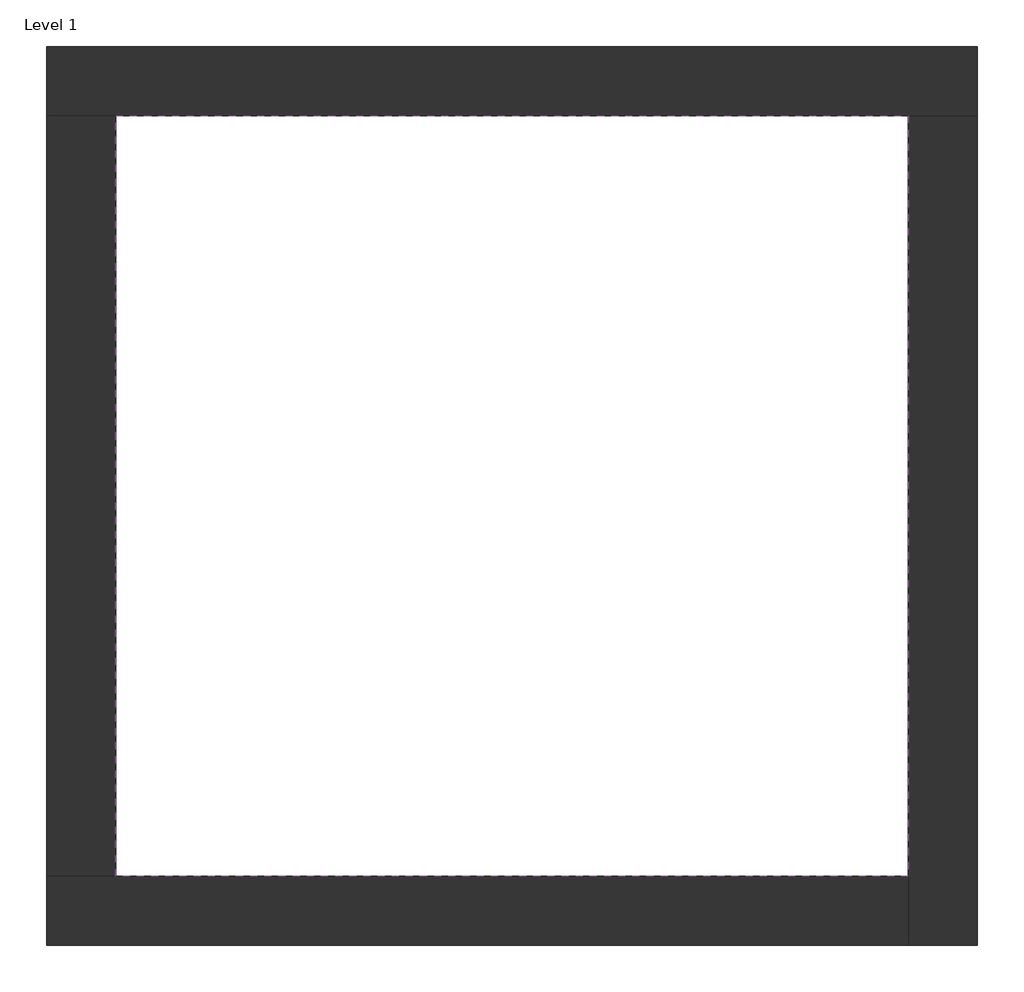
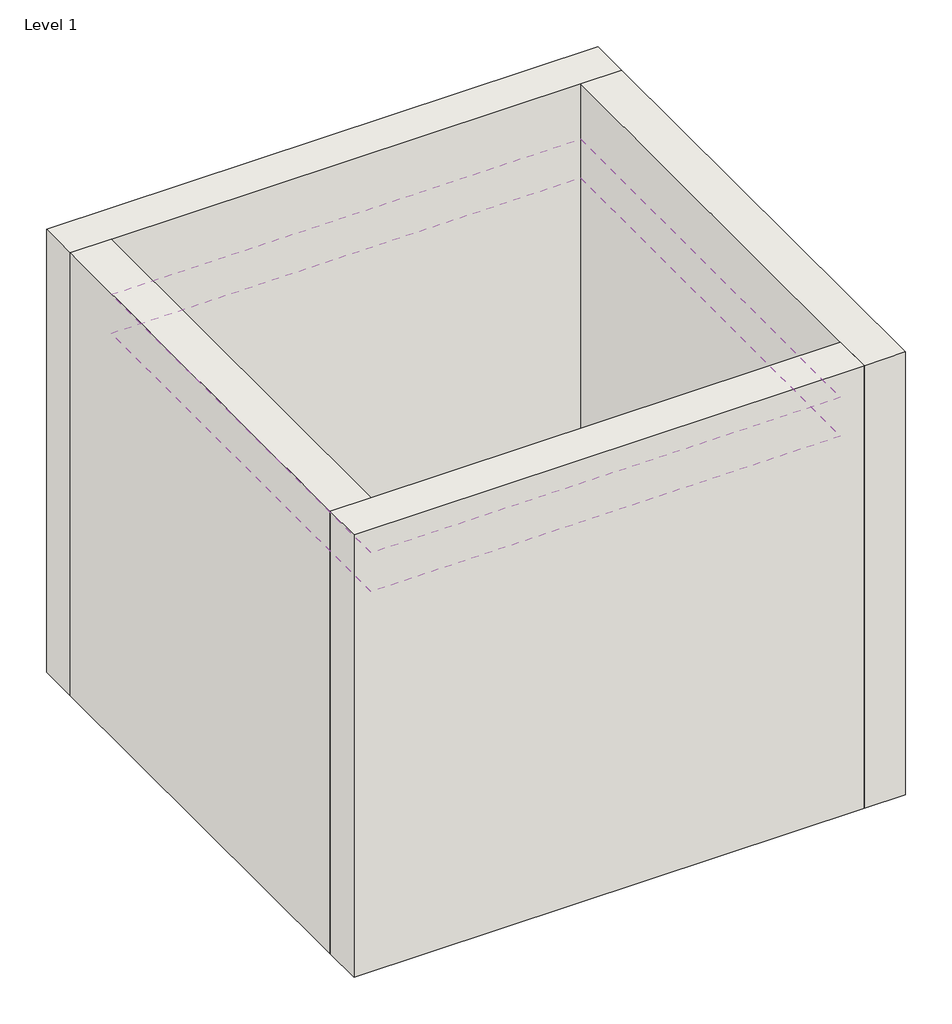
# One storey: 4 walls, 2 coverings.
"""IFC4 building model written with IfcOpenShell, lengths in millimetres."""

import ifcopenshell
import ifcopenshell.guid

model = None  # the IFC model being written
_history = None  # IfcOwnerHistory: only IFC2X3 demands one
_inside = {}  # id of a spatial element -> (the spatial element, [elements in it])
_under = {}  # id of a project, library or spatial element -> (it, [spatial elements below it])
_declared = {}  # id of a project -> (the project, [libraries it declares])
_typed = {}  # id of a type object -> (the type object, [elements of that type])
_made_of = {}  # id of a material, layer set ... -> (it, [elements and type objects made of it])


def new_model(schema):
    """Start an empty IFC model of exactly this schema.

    Asked for "IFC4X3", IfcOpenShell would pick the latest addendum, in which some entities
    have other attributes; the version numbers below select the first issue.
    IFC2X3 requires an IfcOwnerHistory on every rooted entity: one is made here for all.
    """
    global model, _history
    if schema == "IFC4X3":
        model = ifcopenshell.file(schema_version=(4, 3, 0, 0))
    else:
        model = ifcopenshell.file(schema=schema)
    _inside.clear()
    _under.clear()
    _declared.clear()
    _typed.clear()
    _made_of.clear()
    _history = None
    if model.schema == "IFC2X3":
        org = make("IfcOrganization", Name="unknown")
        user = make(
            "IfcPersonAndOrganization",
            ThePerson=make("IfcPerson", FamilyName="unknown"),
            TheOrganization=org,
        )
        app = make(
            "IfcApplication",
            ApplicationDeveloper=org,
            Version="unknown",
            ApplicationFullName="unknown",
            ApplicationIdentifier="unknown",
        )
        _history = make(
            "IfcOwnerHistory",
            OwningUser=user,
            OwningApplication=app,
            ChangeAction="ADDED",
            CreationDate=0,
        )
    return model


def make(cls, **values):
    """One entity of the class cls with the attributes given. An attribute that is None is left unset."""
    return model.create_entity(
        cls, **{name: value for name, value in values.items() if value is not None}
    )


def rooted(cls, **values):
    """An entity with a GlobalId (a new one), such as an element, a storey or a relation."""
    return make(cls, GlobalId=ifcopenshell.guid.new(), OwnerHistory=_history, **values)


def si_unit(unit_type, name, prefix=None):
    """IfcSIUnit, for example si_unit("LENGTHUNIT", "METRE", prefix="MILLI")."""
    return make("IfcSIUnit", UnitType=unit_type, Prefix=prefix, Name=name)


def assignment(units):
    """IfcUnitAssignment: the units of a project."""
    return None if units is None else make("IfcUnitAssignment", Units=units)


def point(xyz):
    """IfcCartesianPoint."""
    return None if xyz is None else make("IfcCartesianPoint", Coordinates=xyz)


def direction(xyz):
    """IfcDirection."""
    return None if xyz is None else make("IfcDirection", DirectionRatios=xyz)


def frame(location, z_axis=None, x_axis=None):
    """IfcAxis2Placement3D, a coordinate frame: its origin and axes. An axis left out is left unset."""
    return make(
        "IfcAxis2Placement3D",
        Location=point(location),
        Axis=direction(z_axis),
        RefDirection=direction(x_axis),
    )


def origin():
    """The frame at (0, 0, 0) with its axes left unset."""
    return frame((0.0, 0.0, 0.0))


def origin_with_axes():
    """The frame at (0, 0, 0) with the z axis (0, 0, 1) and the x axis (1, 0, 0) written out."""
    return frame((0.0, 0.0, 0.0), z_axis=(0.0, 0.0, 1.0), x_axis=(1.0, 0.0, 0.0))


def place(relative_to, where):
    """IfcLocalPlacement: puts the frame where relative to a parent placement (None: the world)."""
    return make(
        "IfcLocalPlacement", PlacementRelTo=relative_to, RelativePlacement=where
    )


def context(
    kind, dimensions, precision=None, world=None, true_north=None, identifier=None
):
    """IfcGeometricRepresentationContext, for example the 3D "Model" context."""
    return make(
        "IfcGeometricRepresentationContext",
        ContextIdentifier=identifier,
        ContextType=kind,
        CoordinateSpaceDimension=dimensions,
        Precision=precision,
        WorldCoordinateSystem=world,
        TrueNorth=true_north,
    )


def project(units=None, contexts=None):
    """IfcProject with its units and contexts."""
    return rooted(
        "IfcProject",
        Name="project",
        RepresentationContexts=contexts,
        UnitsInContext=assignment(units),
    )


def spatial(cls, under=None, at=None, **own):
    """A site, building, storey or space (cls), placed at a placement, below another one or the project."""
    s = rooted(cls, ObjectPlacement=at, **own)
    if under is not None:
        _under.setdefault(under.id(), (under, []))[1].append(s)
    return s


def polyline(points):
    """IfcPolyline through the points."""
    return make("IfcPolyline", Points=[point(p) for p in points])


def outline(outer, holes=None, kind="AREA"):
    """IfcArbitraryClosedProfileDef: a profile drawn as a closed curve; with holes, ...WithVoids."""
    if holes is None:
        return make("IfcArbitraryClosedProfileDef", ProfileType=kind, OuterCurve=outer)
    return make(
        "IfcArbitraryProfileDefWithVoids",
        ProfileType=kind,
        OuterCurve=outer,
        InnerCurves=holes,
    )


def extrude(swept, where, along, depth):
    """IfcExtrudedAreaSolid: the profile swept, set in the frame where, extruded along a direction by depth."""
    return make(
        "IfcExtrudedAreaSolid",
        SweptArea=swept,
        Position=where,
        ExtrudedDirection=direction(along),
        Depth=depth,
    )


def faces_of(points, faces, orient=None, outer=None):
    """IfcFace entities. A face is a list of loops; a loop is a list of indices into points, from 0.

    orient and outer hold one flag for each loop. By default every Orientation is true, the
    first loop of a face is its IfcFaceOuterBound and the others are IfcFaceBound.
    """
    made = []
    for i, loops in enumerate(faces):
        bounds = []
        for j, loop in enumerate(loops):
            is_outer = j == 0 if outer is None else outer[i][j]
            bounds.append(
                make(
                    "IfcFaceOuterBound" if is_outer else "IfcFaceBound",
                    Bound=make("IfcPolyLoop", Polygon=[points[k] for k in loop]),
                    Orientation=True if orient is None else orient[i][j],
                )
            )
        made.append(make("IfcFace", Bounds=bounds))
    return made


def faceted_brep(points, faces, orient=None, outer=None, voids=None):
    """IfcFacetedBrep: a solid bounded by flat faces; with voids (closed shells), ...WithVoids."""
    shared = [point(p) for p in points]
    hull = make("IfcClosedShell", CfsFaces=faces_of(shared, faces, orient, outer))
    if voids is None:
        return make("IfcFacetedBrep", Outer=hull)
    return make(
        "IfcFacetedBrepWithVoids",
        Outer=hull,
        Voids=[
            make(cls, CfsFaces=faces_of(shared, fs, o, b)) for cls, fs, o, b in voids
        ],
    )


def shape(context_of_items, identifier, shape_type, items):
    """IfcShapeRepresentation: the items that make up one representation, for example the "Body"."""
    return make(
        "IfcShapeRepresentation",
        ContextOfItems=context_of_items,
        RepresentationIdentifier=identifier,
        RepresentationType=shape_type,
        Items=items,
    )


def made_of(thing, what):
    """Note that an element or type object is made of a material, layer set ...; save() writes the relation."""
    if what is not None:
        _made_of.setdefault(what.id(), (what, []))[1].append(thing)
    return thing


def element(
    cls,
    number,
    at=None,
    inside=None,
    cuts=None,
    type_object=None,
    material=None,
    context=None,
    identifier="Body",
    shape_type=None,
    held_by="IfcProductDefinitionShape",
    body=None,
    shapes=None,
    **own,
):
    """One element of the class cls, such as IfcWall. Its Tag is "e" and its number.

    at: its placement. inside: the storey or other place that contains it. cuts: it is an
    opening in that element (IfcRelVoidsElement). A single representation is given by context,
    identifier, shape_type and body (its items); several are given by shapes. held_by: the class
    of the entity that holds the representations. save() writes the other relations.
    """
    e = rooted(cls, Tag="e%d" % number, ObjectPlacement=at, **own)
    if body is not None:
        shapes = [shape(context, identifier, shape_type, body)]
    if shapes is not None:
        e.Representation = make(held_by, Representations=shapes)
    if inside is not None:
        _inside.setdefault(inside.id(), (inside, []))[1].append(e)
    if cuts is not None:
        rooted(
            "IfcRelVoidsElement", RelatingBuildingElement=cuts, RelatedOpeningElement=e
        )
    if type_object is not None:
        _typed.setdefault(type_object.id(), (type_object, []))[1].append(e)
    return made_of(e, material)


def aggregate(whole, parts):
    """IfcRelAggregates: a whole, such as a stair, and the parts it consists of."""
    return rooted("IfcRelAggregates", RelatingObject=whole, RelatedObjects=parts)


def save(model, path):
    """Write the relations noted so far, then the file.

    IfcRelAggregates (storeys below a building ...), IfcRelContainedInSpatialStructure (elements
    in a storey), IfcRelDefinesByType, IfcRelAssociatesMaterial and IfcRelDeclares: one each for
    every whole, place, type object, material and project.
    """
    for whole, parts in _under.values():
        aggregate(whole, parts)
    for where, things in _inside.values():
        rooted(
            "IfcRelContainedInSpatialStructure",
            RelatedElements=things,
            RelatingStructure=where,
        )
    for kind, things in _typed.values():
        rooted("IfcRelDefinesByType", RelatedObjects=things, RelatingType=kind)
    for what, things in _made_of.values():
        rooted("IfcRelAssociatesMaterial", RelatedObjects=things, RelatingMaterial=what)
    for by, libraries in _declared.values():
        rooted("IfcRelDeclares", RelatingContext=by, RelatedDefinitions=libraries)
    model.write(path)


model = new_model("IFC4")

# Units and contexts
model_context = context("Model", 3, world=origin())
ifc_project = project(units=[si_unit("LENGTHUNIT", "METRE", prefix="MILLI")], contexts=[model_context])

# Site, building, storey
site = spatial("IfcSite", under=ifc_project)
building = spatial("IfcBuilding", under=site)
storey = spatial("IfcBuildingStorey", under=building, Name="Level 1", Elevation=0.0)

# Coverings
placement = place(None, origin())
element("IfcCovering", 1, at=placement, inside=storey, context=model_context, shape_type="SweptSolid", body=[
    extrude(outline(polyline([(-14894.8573003, 6921.2750283), (-10882.3573003, 6921.2750283), (-10882.3573003, 3071.2750283), (-14894.8573003, 3071.2750283), (-14894.8573003, 6921.2750283)])), frame((0.0, 0.0, 3500.0), z_axis=(0.0, 0.0, 1.0), x_axis=(1.0, 0.0, 0.0)), (0.0, 0.0, 1.0), 202.0),
])
element("IfcCovering", 2, at=placement, inside=storey, context=model_context, shape_type="SweptSolid", body=[
    extrude(outline(polyline([(-14894.8573003, 6921.2750283), (-10882.3573003, 6921.2750283), (-10882.3573003, 3071.2750283), (-14894.8573003, 3071.2750283), (-14894.8573003, 6921.2750283)])), frame((0.0, 0.0, 3150.0), z_axis=(0.0, 0.0, 1.0), x_axis=(1.0, 0.0, 0.0)), (0.0, 0.0, 1.0), 202.0),
])

# Walls
element("IfcWall", 3, ObjectType="Exterior - Brick on Mtl. Stud", at=placement, inside=storey, context=model_context, shape_type="Brep", body=[
    faceted_brep([(-15244.8573003, 6921.2750283, 0.0), (-14894.8573003, 6921.2750283, 0.0), (-10882.3573003, 6921.2750283, 0.0), (-10532.3573003, 6921.2750283, 0.0), (-10532.3573003, 6921.2750283, 4000.0), (-10882.3573003, 6921.2750283, 4000.0), (-14894.8573003, 6921.2750283, 4000.0), (-15244.8573003, 6921.2750283, 4000.0), (-15244.8573003, 7271.2750283, 0.0), (-15244.8573003, 7271.2750283, 4000.0), (-10532.3573003, 7271.2750283, 4000.0), (-10532.3573003, 7271.2750283, 0.0)], [[[0, 1, 2, 3, 4, 5, 6, 7]], [[8, 9, 10, 11]], [[3, 2, 1, 0, 8, 11]], [[7, 6, 5, 4, 10, 9]], [[0, 7, 9, 8]], [[4, 3, 11, 10]]]),
])
element("IfcWall", 4, ObjectType="Exterior - Brick on Mtl. Stud", at=placement, inside=storey, context=model_context, shape_type="Brep", body=[
    faceted_brep([(-10882.3573003, 6921.2750283, 0.0), (-10882.3573003, 3071.2750283, 0.0), (-10882.3573003, 2721.2750283, 0.0), (-10882.3573003, 2721.2750283, 4000.0), (-10882.3573003, 3071.2750283, 4000.0), (-10882.3573003, 6921.2750283, 4000.0), (-10532.3573003, 6921.2750283, 0.0), (-10532.3573003, 6921.2750283, 4000.0), (-10532.3573003, 2721.2750283, 4000.0), (-10532.3573003, 2721.2750283, 0.0)], [[[0, 1, 2, 3, 4, 5]], [[6, 7, 8, 9]], [[2, 1, 0, 6, 9]], [[5, 4, 3, 8, 7]], [[3, 2, 9, 8]], [[0, 5, 7, 6]]]),
])
element("IfcWall", 5, ObjectType="Exterior - Brick on Mtl. Stud", at=placement, inside=storey, context=model_context, shape_type="Brep", body=[
    faceted_brep([(-10882.3573003, 3071.2750283, 0.0), (-14894.8573003, 3071.2750283, 0.0), (-15244.8573003, 3071.2750283, 0.0), (-15244.8573003, 3071.2750283, 4000.0), (-14894.8573003, 3071.2750283, 4000.0), (-10882.3573003, 3071.2750283, 4000.0), (-10882.3573003, 2721.2750283, 0.0), (-10882.3573003, 2721.2750283, 4000.0), (-15244.8573003, 2721.2750283, 4000.0), (-15244.8573003, 2721.2750283, 0.0)], [[[0, 1, 2, 3, 4, 5]], [[6, 7, 8, 9]], [[2, 1, 0, 6, 9]], [[5, 4, 3, 8, 7]], [[3, 2, 9, 8]], [[0, 5, 7, 6]]]),
])
element("IfcWall", 6, ObjectType="Exterior - Brick on Mtl. Stud", at=placement, inside=storey, context=model_context, shape_type="SweptSolid", body=[
    extrude(outline(polyline([(-14894.8573003, 6921.2750283), (-14894.8573003, 3071.2750283), (-15244.8573003, 3071.2750283), (-15244.8573003, 6921.2750283), (-14894.8573003, 6921.2750283)])), origin_with_axes(), (0.0, 0.0, 1.0), 4000.0),
])

save(model, "model.ifc")
